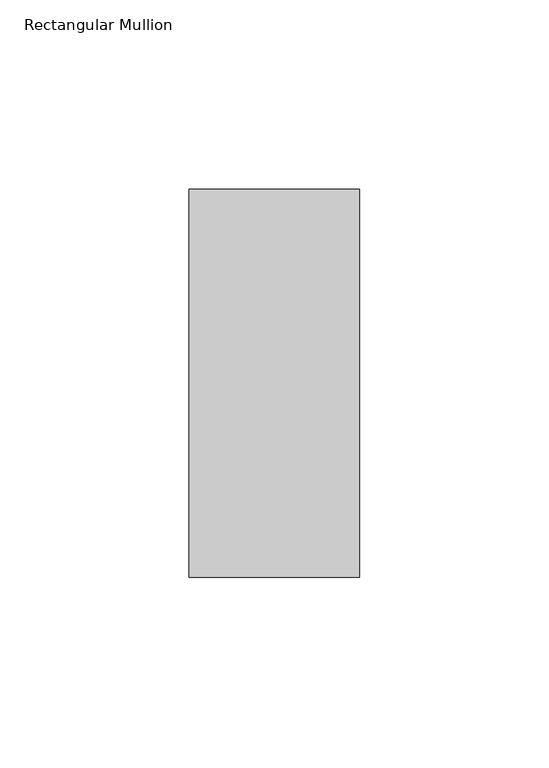
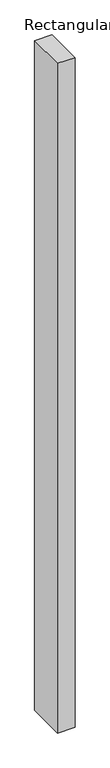
"""IFC4 building model written with IfcOpenShell, lengths in millimetres: member geometry, Rectangular Mullion."""

from ifc_helpers import new_model, si_unit, frame, origin, place, context, project, spatial, polyline, outline, extrude, source, transform, mapped, element, save


def rectangular_mullion_480e9e98(model_context):
    return source(origin(), model_context, "Body", "SweptSolid", [
        extrude(outline(polyline([(0.0, 66.73125), (0.0, -35.73125), (-45.0, -35.73125), (-45.0, 66.73125), (0.0, 66.73125)])), frame((0.0, 0.0, -1828.8), z_axis=(0.0, 0.0, 1.0), x_axis=(1.0, 0.0, 0.0)), (0.0, 0.0, 1.0), 1828.8),
    ])


if __name__ == "__main__":
    model = new_model("IFC4")
    model_context = context("Model", 3, world=origin())
    ifc_project = project(units=[si_unit("LENGTHUNIT", "METRE", prefix="MILLI")], contexts=[model_context])
    site = spatial("IfcSite", under=ifc_project)
    building = spatial("IfcBuilding", under=site)
    placement = place(None, origin())
    rectangular_mullion_shape = rectangular_mullion_480e9e98(model_context)
    element("IfcMember", 1, ObjectType="Rectangular Mullion", at=placement, inside=building, context=model_context, shape_type="MappedRepresentation", body=[
        mapped(rectangular_mullion_shape, transform((0.0, 0.0, 0.0), x_axis=(1.0, 0.0, 0.0), y_axis=(0.0, 1.0, 0.0), z_axis=(0.0, 0.0, 1.0))),
    ])
    save(model, "model.ifc")
